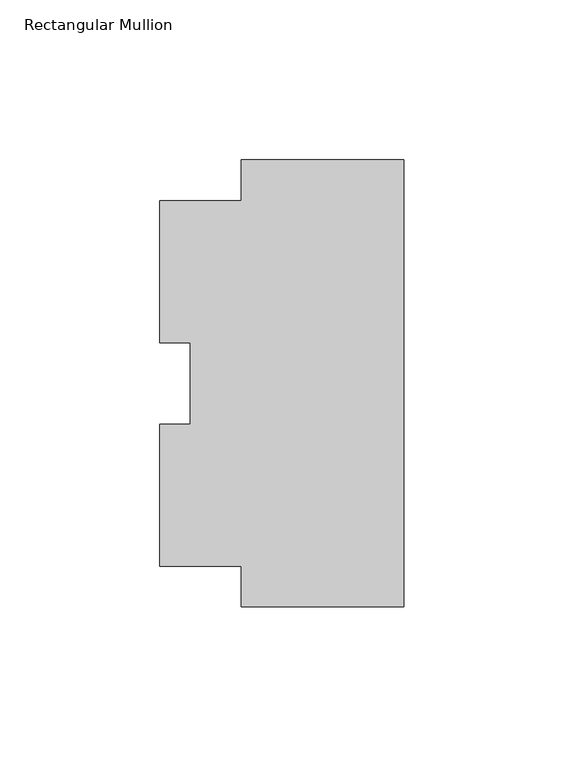
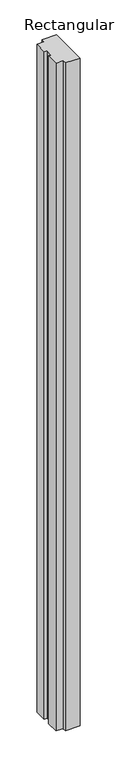
"""IFC4 building model written with IfcOpenShell, lengths in millimetres: member geometry, Rectangular Mullion."""

from ifc_helpers import new_model, si_unit, frame, origin, place, context, project, spatial, polyline, outline, extrude, source, transform, mapped, element, save


def rectangular_mullion_ac98ce59(model_context):
    return source(origin(), model_context, "Body", "SweptSolid", [
        extrude(outline(polyline([(-50.7746, 69.8350833), (0.0, 69.8350833), (0.0, -69.866049), (-50.8, -69.866049), (-50.8, -57.1590105), (-76.2, -57.1590105), (-76.2, -12.7598982), (-66.675, -12.7598982), (-66.675, 12.7278002), (-76.2, 12.7278002), (-76.2, 57.1409895), (-50.7746, 57.1409895), (-50.7746, 69.8350833)])), frame((0.0, 0.0, -2438.4), z_axis=(0.0, 0.0, 1.0), x_axis=(1.0, 0.0, 0.0)), (0.0, 0.0, 1.0), 2438.4),
    ])


if __name__ == "__main__":
    model = new_model("IFC4")
    model_context = context("Model", 3, world=origin())
    ifc_project = project(units=[si_unit("LENGTHUNIT", "METRE", prefix="MILLI")], contexts=[model_context])
    site = spatial("IfcSite", under=ifc_project)
    building = spatial("IfcBuilding", under=site)
    placement = place(None, origin())
    rectangular_mullion_shape = rectangular_mullion_ac98ce59(model_context)
    element("IfcMember", 1, ObjectType="Rectangular Mullion", at=placement, inside=building, context=model_context, shape_type="MappedRepresentation", body=[
        mapped(rectangular_mullion_shape, transform((0.0, 0.0, 0.0), x_axis=(1.0, 0.0, 0.0), y_axis=(0.0, 1.0, 0.0), z_axis=(0.0, 0.0, 1.0))),
    ])
    save(model, "model.ifc")
